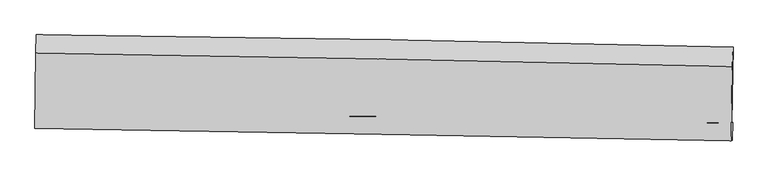
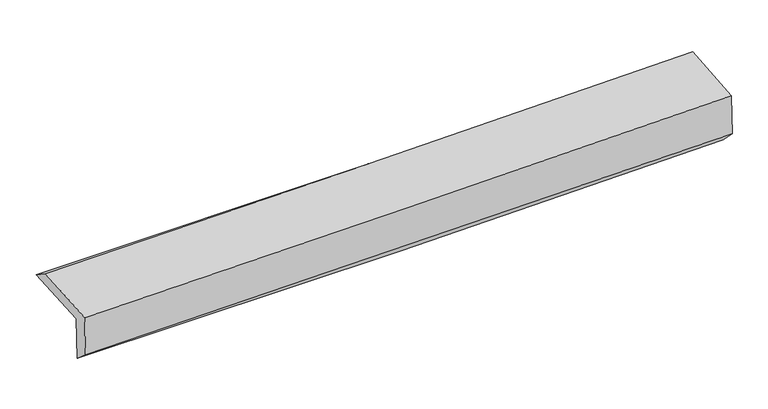
"""IFC4 building model written with IfcOpenShell, lengths in millimetres: proxy geometry."""

import ifcopenshell
import ifcopenshell.guid

model = None  # the IFC model being written
_history = None  # IfcOwnerHistory: only IFC2X3 demands one
_inside = {}  # id of a spatial element -> (the spatial element, [elements in it])
_under = {}  # id of a project, library or spatial element -> (it, [spatial elements below it])
_declared = {}  # id of a project -> (the project, [libraries it declares])
_typed = {}  # id of a type object -> (the type object, [elements of that type])
_made_of = {}  # id of a material, layer set ... -> (it, [elements and type objects made of it])


def new_model(schema):
    """Start an empty IFC model of exactly this schema.

    Asked for "IFC4X3", IfcOpenShell would pick the latest addendum, in which some entities
    have other attributes; the version numbers below select the first issue.
    IFC2X3 requires an IfcOwnerHistory on every rooted entity: one is made here for all.
    """
    global model, _history
    if schema == "IFC4X3":
        model = ifcopenshell.file(schema_version=(4, 3, 0, 0))
    else:
        model = ifcopenshell.file(schema=schema)
    _inside.clear()
    _under.clear()
    _declared.clear()
    _typed.clear()
    _made_of.clear()
    _history = None
    if model.schema == "IFC2X3":
        org = make("IfcOrganization", Name="unknown")
        user = make(
            "IfcPersonAndOrganization",
            ThePerson=make("IfcPerson", FamilyName="unknown"),
            TheOrganization=org,
        )
        app = make(
            "IfcApplication",
            ApplicationDeveloper=org,
            Version="unknown",
            ApplicationFullName="unknown",
            ApplicationIdentifier="unknown",
        )
        _history = make(
            "IfcOwnerHistory",
            OwningUser=user,
            OwningApplication=app,
            ChangeAction="ADDED",
            CreationDate=0,
        )
    return model


def make(cls, **values):
    """One entity of the class cls with the attributes given. An attribute that is None is left unset."""
    return model.create_entity(
        cls, **{name: value for name, value in values.items() if value is not None}
    )


def rooted(cls, **values):
    """An entity with a GlobalId (a new one), such as an element, a storey or a relation."""
    return make(cls, GlobalId=ifcopenshell.guid.new(), OwnerHistory=_history, **values)


def si_unit(unit_type, name, prefix=None):
    """IfcSIUnit, for example si_unit("LENGTHUNIT", "METRE", prefix="MILLI")."""
    return make("IfcSIUnit", UnitType=unit_type, Prefix=prefix, Name=name)


def assignment(units):
    """IfcUnitAssignment: the units of a project."""
    return None if units is None else make("IfcUnitAssignment", Units=units)


def point(xyz):
    """IfcCartesianPoint."""
    return None if xyz is None else make("IfcCartesianPoint", Coordinates=xyz)


def direction(xyz):
    """IfcDirection."""
    return None if xyz is None else make("IfcDirection", DirectionRatios=xyz)


def frame(location, z_axis=None, x_axis=None):
    """IfcAxis2Placement3D, a coordinate frame: its origin and axes. An axis left out is left unset."""
    return make(
        "IfcAxis2Placement3D",
        Location=point(location),
        Axis=direction(z_axis),
        RefDirection=direction(x_axis),
    )


def origin():
    """The frame at (0, 0, 0) with its axes left unset."""
    return frame((0.0, 0.0, 0.0))


def place(relative_to, where):
    """IfcLocalPlacement: puts the frame where relative to a parent placement (None: the world)."""
    return make(
        "IfcLocalPlacement", PlacementRelTo=relative_to, RelativePlacement=where
    )


def context(
    kind, dimensions, precision=None, world=None, true_north=None, identifier=None
):
    """IfcGeometricRepresentationContext, for example the 3D "Model" context."""
    return make(
        "IfcGeometricRepresentationContext",
        ContextIdentifier=identifier,
        ContextType=kind,
        CoordinateSpaceDimension=dimensions,
        Precision=precision,
        WorldCoordinateSystem=world,
        TrueNorth=true_north,
    )


def project(units=None, contexts=None):
    """IfcProject with its units and contexts."""
    return rooted(
        "IfcProject",
        Name="project",
        RepresentationContexts=contexts,
        UnitsInContext=assignment(units),
    )


def spatial(cls, under=None, at=None, **own):
    """A site, building, storey or space (cls), placed at a placement, below another one or the project."""
    s = rooted(cls, ObjectPlacement=at, **own)
    if under is not None:
        _under.setdefault(under.id(), (under, []))[1].append(s)
    return s


def shape(context_of_items, identifier, shape_type, items):
    """IfcShapeRepresentation: the items that make up one representation, for example the "Body"."""
    return make(
        "IfcShapeRepresentation",
        ContextOfItems=context_of_items,
        RepresentationIdentifier=identifier,
        RepresentationType=shape_type,
        Items=items,
    )


def source(mapping_origin, context_of_items, identifier, shape_type, items):
    """IfcRepresentationMap: a shape defined once, which mapped items show again and again."""
    return make(
        "IfcRepresentationMap",
        MappingOrigin=mapping_origin,
        MappedRepresentation=shape(context_of_items, identifier, shape_type, items),
    )


def transform(
    local_origin,
    x_axis=None,
    y_axis=None,
    z_axis=None,
    scale=None,
    scale2=None,
    scale3=None,
    uniform=True,
):
    """IfcCartesianTransformationOperator3D, or its non-uniform kind. x_axis, y_axis, z_axis: its Axis1, 2, 3."""
    if uniform:
        return make(
            "IfcCartesianTransformationOperator3D",
            Axis1=direction(x_axis),
            Axis2=direction(y_axis),
            LocalOrigin=point(local_origin),
            Scale=scale,
            Axis3=direction(z_axis),
        )
    return make(
        "IfcCartesianTransformationOperator3DnonUniform",
        Axis1=direction(x_axis),
        Axis2=direction(y_axis),
        LocalOrigin=point(local_origin),
        Scale=scale,
        Axis3=direction(z_axis),
        Scale2=scale2,
        Scale3=scale3,
    )


def mapped(mapping_source, mapping_target):
    """IfcMappedItem: shows the shape of a source again, moved by a transform."""
    return make(
        "IfcMappedItem", MappingSource=mapping_source, MappingTarget=mapping_target
    )


def made_of(thing, what):
    """Note that an element or type object is made of a material, layer set ...; save() writes the relation."""
    if what is not None:
        _made_of.setdefault(what.id(), (what, []))[1].append(thing)
    return thing


def element(
    cls,
    number,
    at=None,
    inside=None,
    cuts=None,
    type_object=None,
    material=None,
    context=None,
    identifier="Body",
    shape_type=None,
    held_by="IfcProductDefinitionShape",
    body=None,
    shapes=None,
    **own,
):
    """One element of the class cls, such as IfcWall. Its Tag is "e" and its number.

    at: its placement. inside: the storey or other place that contains it. cuts: it is an
    opening in that element (IfcRelVoidsElement). A single representation is given by context,
    identifier, shape_type and body (its items); several are given by shapes. held_by: the class
    of the entity that holds the representations. save() writes the other relations.
    """
    e = rooted(cls, Tag="e%d" % number, ObjectPlacement=at, **own)
    if body is not None:
        shapes = [shape(context, identifier, shape_type, body)]
    if shapes is not None:
        e.Representation = make(held_by, Representations=shapes)
    if inside is not None:
        _inside.setdefault(inside.id(), (inside, []))[1].append(e)
    if cuts is not None:
        rooted(
            "IfcRelVoidsElement", RelatingBuildingElement=cuts, RelatedOpeningElement=e
        )
    if type_object is not None:
        _typed.setdefault(type_object.id(), (type_object, []))[1].append(e)
    return made_of(e, material)


def aggregate(whole, parts):
    """IfcRelAggregates: a whole, such as a stair, and the parts it consists of."""
    return rooted("IfcRelAggregates", RelatingObject=whole, RelatedObjects=parts)


def save(model, path):
    """Write the relations noted so far, then the file.

    IfcRelAggregates (storeys below a building ...), IfcRelContainedInSpatialStructure (elements
    in a storey), IfcRelDefinesByType, IfcRelAssociatesMaterial and IfcRelDeclares: one each for
    every whole, place, type object, material and project.
    """
    for whole, parts in _under.values():
        aggregate(whole, parts)
    for where, things in _inside.values():
        rooted(
            "IfcRelContainedInSpatialStructure",
            RelatedElements=things,
            RelatingStructure=where,
        )
    for kind, things in _typed.values():
        rooted("IfcRelDefinesByType", RelatedObjects=things, RelatingType=kind)
    for what, things in _made_of.values():
        rooted("IfcRelAssociatesMaterial", RelatedObjects=things, RelatingMaterial=what)
    for by, libraries in _declared.values():
        rooted("IfcRelDeclares", RelatingContext=by, RelatedDefinitions=libraries)
    model.write(path)


def plane_surface(at):
    """IfcPlane: the flat surface through the origin of the frame at, square to its z axis."""
    return make("IfcPlane", Position=at)


def spline_curve(degree, points, multiplicities, knots, weights=None):
    """IfcBSplineCurveWithKnots; with weights, IfcRationalBSplineCurveWithKnots."""
    own = dict(
        Degree=degree,
        ControlPointsList=[point(p) for p in points],
        CurveForm="UNSPECIFIED",
        ClosedCurve=False,
        SelfIntersect=False,
        KnotMultiplicities=multiplicities,
        Knots=knots,
        KnotSpec="UNSPECIFIED",
    )
    if weights is None:
        return make("IfcBSplineCurveWithKnots", **own)
    return make("IfcRationalBSplineCurveWithKnots", WeightsData=weights, **own)


def spline_surface(u_degree, v_degree, points, u_multiplicities, v_multiplicities, u_knots, v_knots, weights=None):
    """IfcBSplineSurfaceWithKnots; with weights, IfcRationalBSplineSurfaceWithKnots. points: one row for each step in u."""
    own = dict(
        UDegree=u_degree,
        VDegree=v_degree,
        ControlPointsList=[[point(p) for p in row] for row in points],
        SurfaceForm="UNSPECIFIED",
        UClosed=False,
        VClosed=False,
        SelfIntersect=False,
        UMultiplicities=u_multiplicities,
        VMultiplicities=v_multiplicities,
        UKnots=u_knots,
        VKnots=v_knots,
        KnotSpec="UNSPECIFIED",
    )
    if weights is None:
        return make("IfcBSplineSurfaceWithKnots", **own)
    return make("IfcRationalBSplineSurfaceWithKnots", WeightsData=weights, **own)


def advanced_brep(points, edges, surfaces, faces):
    """IfcAdvancedBrep: a solid bounded by faces that lie on surfaces and meet in shared edges.

    An edge is (start, end): straight between two places in points (the first is 0);
    or (start, end, curve); or (start, end, curve, False) where it runs against its curve.
    A face is (place in surfaces, loops), or (place, loops, False) where it looks against
    its surface's normal. A loop lists edges by number (the first is 1), with a minus sign
    where the edge is run from its end to its start. The first loop is the outer one.
    """
    corners = [point(p) for p in points]
    vertices = [make("IfcVertexPoint", VertexGeometry=c) for c in corners]
    made = []
    for start, end, *more in edges:
        made.append(
            make(
                "IfcEdgeCurve",
                EdgeStart=vertices[start],
                EdgeEnd=vertices[end],
                EdgeGeometry=more[0] if more else make("IfcPolyline", Points=[corners[start], corners[end]]),
                SameSense=more[1] if len(more) > 1 else True,
            )
        )
    hull = []
    for where, loops, *sense in faces:
        bounds = []
        for j, loop in enumerate(loops):
            ring = [make("IfcOrientedEdge", EdgeElement=made[abs(k) - 1], Orientation=k > 0) for k in loop]
            bounds.append(
                make(
                    "IfcFaceOuterBound" if j == 0 else "IfcFaceBound",
                    Bound=make("IfcEdgeLoop", EdgeList=ring),
                    Orientation=True,
                )
            )
        hull.append(make("IfcAdvancedFace", Bounds=bounds, FaceSurface=surfaces[where], SameSense=sense[0] if sense else True))
    return make("IfcAdvancedBrep", Outer=make("IfcClosedShell", CfsFaces=hull))


def generic_models_2419f018(model_context):
    return source(origin(), model_context, "Body", "AdvancedBrep", [
        advanced_brep(
        [(-3025.3408555, -1752.9128161, 1968.4881662), (-3016.9945063, -1082.169692, 2000.0672095), (3013.4022787, -1187.3760261, 2108.7678611), (3002.7978764, -1847.3678445, 2096.5054743), (-3015.7901787, -1748.8184177, 1572.431673), (3012.5398058, -1843.1721939, 1690.7168461), (-3020.6413444, -1889.5261325, 1695.1247486), (3006.2064936, -1999.2239321, 1848.3244302), (-3029.6175042, -1893.3742341, 2067.3566288), (2996.9288588, -2003.2196205, 2234.7734088), (-3021.7266884, -1240.5158872, 2107.811844), (3006.6592494, -1355.8879116, 2274.9334995)],
        [
            (0, 1),
            (1, 2, spline_curve(3, [(-3016.9945063, -1082.169692, 2000.0672095), (-2011.055979777, -1091.955558511, 1989.938784464), (-1005.507576758, -1105.616846318, 1993.935086639), (1004.624541515, -1140.68704621, 2030.173820269), (2009.20840032, -1162.094536694, 2062.411068754), (3013.4022787, -1187.3760261, 2108.7678611)], [4, 2, 4], [0.0, 9.895663848829328, 19.789511907345545])),
            (2, 3),
            (3, 0, spline_curve(3, [(3002.7978764, -1847.3678445, 2096.5054743), (1998.786947143, -1824.726056512, 2053.300139035), (994.48270786, -1805.53431556, 2021.029337634), (-1014.896761843, -1774.048039811, 1978.352887781), (-2019.97209986, -1761.75477086, 1967.951252878), (-3025.3408555, -1752.9128161, 1968.4881662)], [4, 2, 4], [0.0, 9.893848058516218, 19.789511907345545])),
            (4, 0),
            (3, 5),
            (5, 4, spline_curve(3, [(3012.5398058, -1843.1721939, 1690.7168461), (2008.414131123, -1820.582759309, 1652.564570119), (1004.036579379, -1801.425633783, 1623.631392806), (-1005.406656613, -1769.973115285, 1584.199617324), (-2010.472432592, -1757.67898198, 1573.704403669), (-3015.7901787, -1748.8184177, 1572.431673)], [4, 2, 4], [0.0, 9.891757608796025, 19.785330624250758])),
            (6, 4),
            (5, 7),
            (7, 6, spline_curve(3, [(3006.2064936, -1999.2239321, 1848.3244302), (2001.818479168, -1979.260310297, 1822.469658405), (997.433235026, -1960.137777617, 1796.776788669), (-1011.516045538, -1923.571535841, 1745.710168904), (-2016.080080274, -1906.128135094, 1720.336477787), (-3020.6413444, -1889.5261325, 1695.1247486)], [4, 2, 4], [0.0, 9.890922228093078, 19.78365970952978])),
            (8, 6),
            (7, 9),
            (9, 8, spline_curve(3, [(2996.9288588, -2003.2196205, 2234.7734088), (1992.79833224, -1983.14243052, 2197.944194636), (988.566962135, -1963.950811745, 2165.579059682), (-1020.281788623, -1927.335358197, 2109.771827515), (-2024.899206055, -1909.911847815, 2086.331369073), (-3029.6175042, -1893.3742341, 2067.3566288)], [4, 2, 4], [0.0, 9.89057787658491, 19.78297094331557])),
            (10, 8),
            (9, 11),
            (11, 10, spline_curve(3, [(3006.6592494, -1355.8879116, 2274.9334995), (2002.269749573, -1333.21395374, 2238.257979933), (997.755610964, -1312.263363569, 2205.994288401), (-1011.706322514, -1273.805389713, 2150.285450424), (-2016.654163156, -1256.298638391, 2126.841923358), (-3021.7266884, -1240.5158872, 2107.811844)], [4, 2, 4], [0.0, 9.892323034225466, 19.78646157888059])),
            (1, 10),
            (11, 2),
        ],
        [
            spline_surface(3, 3, [[(-3025.3408555, -1752.9128161, 1968.4881662), (-2019.972099802, -1761.754770987, 1967.95125294), (-1014.896761806, -1774.048039713, 1978.352887714), (994.482707822, -1805.534315658, 2021.029337701), (1998.786947129, -1824.726056385, 2053.300138927), (3002.7978764, -1847.3678445, 2096.5054743)], [(-3022.558739105, -1529.331774715, 1979.014513969), (-2017.000059803, -1538.488366796, 1975.280430118), (-1011.767033509, -1551.237641872, 1983.546954012), (997.863319082, -1583.918559216, 2024.07749856), (2002.260764884, -1603.848883115, 2056.337115499), (3006.332677172, -1627.370571684, 2100.59293657)], [(-3019.776622695, -1305.750733385, 1989.540861731), (-2014.028019789, -1315.22196266, 1982.60960729), (-1008.637305177, -1328.427244033, 1988.741020322), (1001.243930377, -1362.302802776, 2027.125659429), (2005.734582623, -1382.971709895, 2059.374092062), (3009.867477928, -1407.373298916, 2104.68039883)], [(-3016.9945063, -1082.169692, 2000.0672095), (-2011.05597979, -1091.955558469, 1989.938784468), (-1005.50757688, -1105.616846193, 1993.93508662), (1004.624541637, -1140.687046334, 2030.173820288), (2009.208400378, -1162.094536626, 2062.411068634), (3013.4022787, -1187.3760261, 2108.7678611)]], [4, 4], [4, 2, 4], [0.0, 2.187748408151219], [0.0, 9.895663848829328, 19.789511907345545]),
            spline_surface(3, 3, [[(-3015.7901787, -1748.8184177, 1572.431673), (-2010.472432609, -1757.678981908, 1573.704403729), (-1005.406656481, -1769.973115177, 1584.199617432), (1004.036579246, -1801.425633892, 1623.631392698), (2008.414131242, -1820.582759312, 1652.564570006), (3012.5398058, -1843.1721939, 1690.7168461)], [(-3018.973737625, -1750.183217186, 1704.450504054), (-2013.638988331, -1759.037578287, 1705.12002012), (-1008.570024931, -1771.331423363, 1715.584040861), (1000.85195543, -1802.795194488, 1756.097374368), (2005.205069857, -1821.963858341, 1786.143092972), (3009.292495986, -1844.570744105, 1825.979722159)], [(-3022.157296575, -1751.548016614, 1836.469335146), (-2016.805544079, -1760.396174608, 1836.535636549), (-1011.733393356, -1772.689731526, 1846.968464284), (997.667331639, -1804.164755062, 1888.563356031), (2001.996008515, -1823.344957356, 1919.721615961), (3006.045186214, -1845.969294295, 1961.242598241)], [(-3025.3408555, -1752.9128161, 1968.4881662), (-2019.972099802, -1761.754770987, 1967.95125294), (-1014.896761806, -1774.048039713, 1978.352887714), (994.482707822, -1805.534315658, 2021.029337701), (1998.786947129, -1824.726056385, 2053.300138927), (3002.7978764, -1847.3678445, 2096.5054743)]], [4, 4], [4, 2, 4], [0.0, 1.2989205499988417], [0.0, 9.893573015454733, 19.785330624250758]),
            spline_surface(3, 3, [[(-3020.6413444, -1889.5261325, 1695.1247486), (-2016.080080381, -1906.12813517, 1720.336477818), (-1011.516045428, -1923.571535742, 1745.710168792), (997.433234917, -1960.137777715, 1796.776788781), (2001.818479308, -1979.260310304, 1822.469658294), (3006.2064936, -1999.2239321, 1848.3244302)], [(-3019.024289187, -1842.623560894, 1654.227056741), (-2014.210864477, -1856.645084077, 1671.459119797), (-1009.479582454, -1872.3720622, 1691.873318332), (999.634349685, -1907.233729754, 1739.061656747), (2004.017029959, -1926.367793303, 1765.83462886), (3008.317597673, -1947.20668603, 1795.788568829)], [(-3017.407233913, -1795.720989306, 1613.329364859), (-2012.341648512, -1807.162033001, 1622.581761751), (-1007.443119455, -1821.172588719, 1638.036467892), (1001.835464478, -1854.329681853, 1681.346524733), (2006.215580591, -1873.475276313, 1709.199599439), (3010.428701727, -1895.18943997, 1743.252707471)], [(-3015.7901787, -1748.8184177, 1572.431673), (-2010.472432609, -1757.678981908, 1573.704403729), (-1005.406656481, -1769.973115177, 1584.199617432), (1004.036579246, -1801.425633892, 1623.631392698), (2008.414131242, -1820.582759312, 1652.564570006), (3012.5398058, -1843.1721939, 1690.7168461)]], [4, 4], [4, 2, 4], [0.0, 0.7511835404469211], [0.0, 9.8927374814367, 19.78365970952978]),
            spline_surface(3, 3, [[(-3029.6175042, -1893.3742341, 2067.3566288), (-2024.899205932, -1909.911847786, 2086.331369192), (-1020.281788572, -1927.335358033, 2109.771827579), (988.566962084, -1963.950811909, 2165.579059618), (1992.798332375, -1983.142430476, 2197.944194574), (2996.9288588, -2003.2196205, 2234.7734088)], [(-3026.625450933, -1892.091533557, 1943.279335391), (-2021.959497415, -1908.650610238, 1964.333072059), (-1017.359874187, -1926.080750614, 1988.417941331), (991.522386366, -1962.679800522, 2042.644969354), (1995.805048006, -1981.848390435, 2072.786015834), (3000.02140372, -2001.887724383, 2105.95708262)], [(-3023.633397667, -1890.808833043, 1819.202042009), (-2019.019788898, -1907.389372718, 1842.334774952), (-1014.437959813, -1924.826143162, 1867.06405504), (994.477810635, -1961.408789102, 1919.710879046), (1998.811763677, -1980.554350345, 1947.627837034), (3003.11394868, -2000.555828217, 1977.14075638)], [(-3020.6413444, -1889.5261325, 1695.1247486), (-2016.080080381, -1906.12813517, 1720.336477818), (-1011.516045428, -1923.571535742, 1745.710168792), (997.433234917, -1960.137777715, 1796.776788781), (2001.818479308, -1979.260310304, 1822.469658294), (3006.2064936, -1999.2239321, 1848.3244302)]], [4, 4], [4, 2, 4], [0.0, 1.2026153030761864], [0.0, 9.892393066730659, 19.78297094331557]),
            spline_surface(3, 3, [[(-3021.7266884, -1240.5158872, 2107.811844), (-2016.654163142, -1256.298638325, 2126.841923363), (-1011.706322525, -1273.805389588, 2150.285450393), (997.755610974, -1312.263363693, 2205.994288432), (2002.269749652, -1333.213953875, 2238.257979883), (3006.6592494, -1355.8879116, 2274.9334995)], [(-3024.356960333, -1458.135336168, 2094.326772281), (-2019.402510738, -1474.169708147, 2113.338405321), (-1014.564811211, -1491.648712396, 2136.780909442), (994.692728007, -1529.492513092, 2192.522545481), (1999.112610582, -1549.856779393, 2224.820051447), (3003.41578589, -1571.665147884, 2261.5468026)], [(-3026.987232267, -1675.754785132, 2080.841700519), (-2022.150858336, -1692.040777964, 2099.834887234), (-1017.423299885, -1709.492035225, 2123.27636853), (991.629845052, -1746.721662511, 2179.05080257), (1995.955471444, -1766.499604958, 2211.38212301), (3000.17232231, -1787.442384216, 2248.1601057)], [(-3029.6175042, -1893.3742341, 2067.3566288), (-2024.899205932, -1909.911847786, 2086.331369192), (-1020.281788572, -1927.335358033, 2109.771827579), (988.566962084, -1963.950811909, 2165.579059618), (1992.798332375, -1983.142430476, 2197.944194574), (2996.9288588, -2003.2196205, 2234.7734088)]], [4, 4], [4, 2, 4], [0.0, 2.1454149540626104], [0.0, 9.894138544655124, 19.78646157888059]),
            spline_surface(3, 3, [[(-3016.9945063, -1082.169692, 2000.0672095), (-2011.05597979, -1091.955558469, 1989.938784468), (-1005.50757688, -1105.616846193, 1993.93508662), (1004.624541637, -1140.687046334, 2030.173820288), (2009.208400378, -1162.094536626, 2062.411068634), (3013.4022787, -1187.3760261, 2108.7678611)], [(-3018.571900317, -1134.951757079, 2035.982087663), (-2012.922040891, -1146.7365851, 2035.573164096), (-1007.5738254, -1161.679694001, 2046.051874552), (1002.334898112, -1197.87915213, 2088.78064301), (2006.895516796, -1219.134342389, 2121.026705705), (3011.15460226, -1243.546654614, 2164.156407221)], [(-3020.149294383, -1187.733822121, 2071.896965837), (-2014.788102041, -1201.517611694, 2081.207543735), (-1009.640074005, -1217.742541781, 2098.168662462), (1000.0452545, -1255.071257898, 2147.387465711), (2004.582633234, -1276.174148112, 2179.642342812), (3008.90692584, -1299.717283086, 2219.544953379)], [(-3021.7266884, -1240.5158872, 2107.811844), (-2016.654163142, -1256.298638325, 2126.841923363), (-1011.706322525, -1273.805389588, 2150.285450393), (997.755610974, -1312.263363693, 2205.994288432), (2002.269749652, -1333.213953875, 2238.257979883), (3006.6592494, -1355.8879116, 2274.9334995)]], [4, 4], [4, 2, 4], [0.0, 0.7797528541181888], [0.0, 9.896413027059301, 19.791010126336133]),
            plane_surface(frame((3006.4224271, -1706.0412548, 2042.33692), z_axis=(0.9995798751519613, -0.016503415271952152, 0.023826675713389586), x_axis=(0.023999201391403817, 0.010335967290845958, -0.9996585447605285))),
            plane_surface(frame((-3021.6851796, -1601.2195299, 1901.880045), z_axis=(-0.9996207349088602, 0.013567006657976215, -0.023965030160907206), x_axis=(-0.01242870789323092, -0.9988163898909985, -0.047024956195808876))),
        ],
        [
            (0, [[1, 2, 3, 4]]),
            (1, [[5, -4, 6, 7]]),
            (2, [[8, -7, 9, 10]]),
            (3, [[11, -10, 12, 13]]),
            (4, [[14, -13, 15, 16]]),
            (5, [[17, -16, 18, -2]]),
            (6, [[-12, -9, -6, -3, -18, -15]]),
            (7, [[-1, -5, -8, -11, -14, -17]]),
        ],
    ),
    ])


if __name__ == "__main__":
    model = new_model("IFC4")
    model_context = context("Model", 3, world=origin())
    ifc_project = project(units=[si_unit("LENGTHUNIT", "METRE", prefix="MILLI")], contexts=[model_context])
    site = spatial("IfcSite", under=ifc_project)
    building = spatial("IfcBuilding", under=site)
    placement = place(None, origin())
    generic_models_shape = generic_models_2419f018(model_context)
    element("IfcBuildingElementProxy", 1, Name="Generic Models", at=placement, inside=building, context=model_context, shape_type="MappedRepresentation", body=[
        mapped(generic_models_shape, transform((0.0, 0.0, 0.0), x_axis=(1.0, 0.0, 0.0), y_axis=(0.0, 1.0, 0.0), z_axis=(0.0, 0.0, 1.0))),
    ])
    save(model, "model.ifc")
